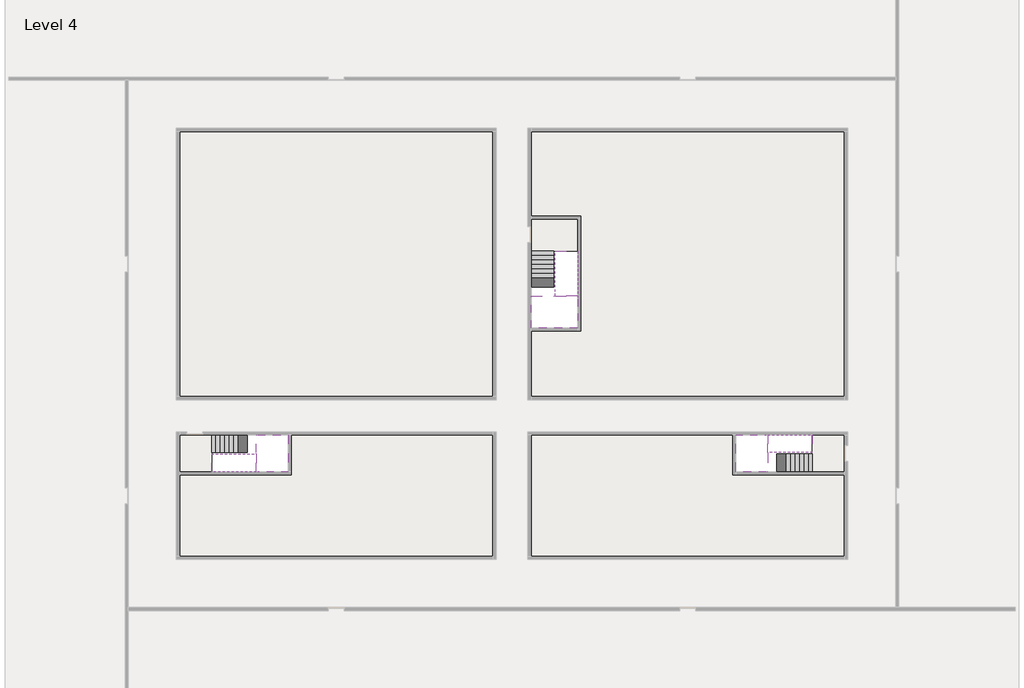
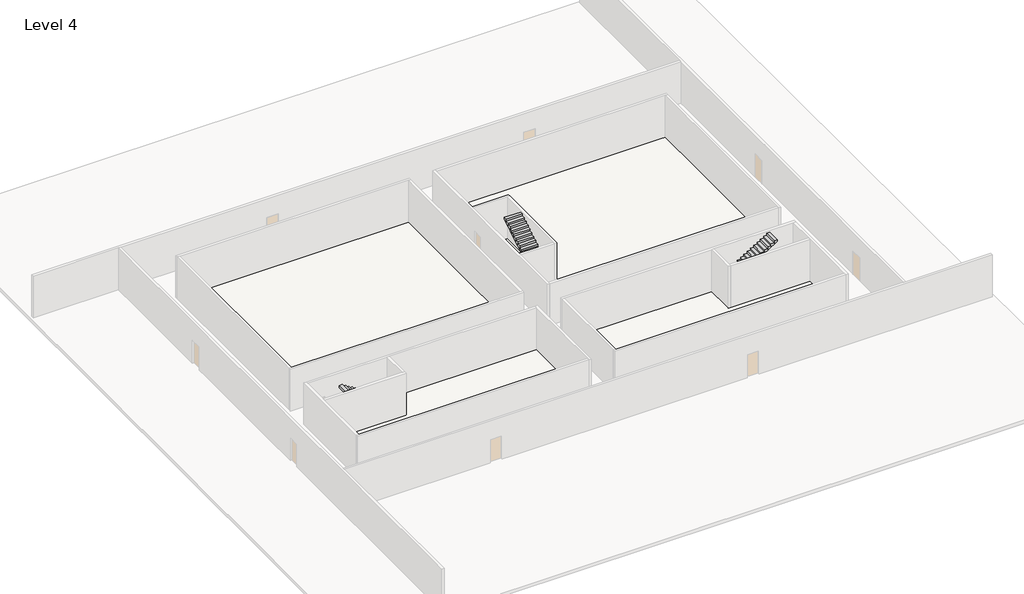
# One storey, part 2 of 2: 6 stair flights, 5 slabs.
"""IFC4 building model written with IfcOpenShell, lengths in millimetres."""

import ifcopenshell
import ifcopenshell.guid

model = None  # the IFC model being written
_history = None  # IfcOwnerHistory: only IFC2X3 demands one
_inside = {}  # id of a spatial element -> (the spatial element, [elements in it])
_under = {}  # id of a project, library or spatial element -> (it, [spatial elements below it])
_declared = {}  # id of a project -> (the project, [libraries it declares])
_typed = {}  # id of a type object -> (the type object, [elements of that type])
_made_of = {}  # id of a material, layer set ... -> (it, [elements and type objects made of it])


def new_model(schema):
    """Start an empty IFC model of exactly this schema.

    Asked for "IFC4X3", IfcOpenShell would pick the latest addendum, in which some entities
    have other attributes; the version numbers below select the first issue.
    IFC2X3 requires an IfcOwnerHistory on every rooted entity: one is made here for all.
    """
    global model, _history
    if schema == "IFC4X3":
        model = ifcopenshell.file(schema_version=(4, 3, 0, 0))
    else:
        model = ifcopenshell.file(schema=schema)
    _inside.clear()
    _under.clear()
    _declared.clear()
    _typed.clear()
    _made_of.clear()
    _history = None
    if model.schema == "IFC2X3":
        org = make("IfcOrganization", Name="unknown")
        user = make(
            "IfcPersonAndOrganization",
            ThePerson=make("IfcPerson", FamilyName="unknown"),
            TheOrganization=org,
        )
        app = make(
            "IfcApplication",
            ApplicationDeveloper=org,
            Version="unknown",
            ApplicationFullName="unknown",
            ApplicationIdentifier="unknown",
        )
        _history = make(
            "IfcOwnerHistory",
            OwningUser=user,
            OwningApplication=app,
            ChangeAction="ADDED",
            CreationDate=0,
        )
    return model


def make(cls, **values):
    """One entity of the class cls with the attributes given. An attribute that is None is left unset."""
    return model.create_entity(
        cls, **{name: value for name, value in values.items() if value is not None}
    )


def rooted(cls, **values):
    """An entity with a GlobalId (a new one), such as an element, a storey or a relation."""
    return make(cls, GlobalId=ifcopenshell.guid.new(), OwnerHistory=_history, **values)


def si_unit(unit_type, name, prefix=None):
    """IfcSIUnit, for example si_unit("LENGTHUNIT", "METRE", prefix="MILLI")."""
    return make("IfcSIUnit", UnitType=unit_type, Prefix=prefix, Name=name)


def assignment(units):
    """IfcUnitAssignment: the units of a project."""
    return None if units is None else make("IfcUnitAssignment", Units=units)


def point(xyz):
    """IfcCartesianPoint."""
    return None if xyz is None else make("IfcCartesianPoint", Coordinates=xyz)


def direction(xyz):
    """IfcDirection."""
    return None if xyz is None else make("IfcDirection", DirectionRatios=xyz)


def frame(location, z_axis=None, x_axis=None):
    """IfcAxis2Placement3D, a coordinate frame: its origin and axes. An axis left out is left unset."""
    return make(
        "IfcAxis2Placement3D",
        Location=point(location),
        Axis=direction(z_axis),
        RefDirection=direction(x_axis),
    )


def origin():
    """The frame at (0, 0, 0) with its axes left unset."""
    return frame((0.0, 0.0, 0.0))


def place(relative_to, where):
    """IfcLocalPlacement: puts the frame where relative to a parent placement (None: the world)."""
    return make(
        "IfcLocalPlacement", PlacementRelTo=relative_to, RelativePlacement=where
    )


def context(
    kind, dimensions, precision=None, world=None, true_north=None, identifier=None
):
    """IfcGeometricRepresentationContext, for example the 3D "Model" context."""
    return make(
        "IfcGeometricRepresentationContext",
        ContextIdentifier=identifier,
        ContextType=kind,
        CoordinateSpaceDimension=dimensions,
        Precision=precision,
        WorldCoordinateSystem=world,
        TrueNorth=true_north,
    )


def project(units=None, contexts=None):
    """IfcProject with its units and contexts."""
    return rooted(
        "IfcProject",
        Name="project",
        RepresentationContexts=contexts,
        UnitsInContext=assignment(units),
    )


def spatial(cls, under=None, at=None, **own):
    """A site, building, storey or space (cls), placed at a placement, below another one or the project."""
    s = rooted(cls, ObjectPlacement=at, **own)
    if under is not None:
        _under.setdefault(under.id(), (under, []))[1].append(s)
    return s


def polyline(points):
    """IfcPolyline through the points."""
    return make("IfcPolyline", Points=[point(p) for p in points])


def outline(outer, holes=None, kind="AREA"):
    """IfcArbitraryClosedProfileDef: a profile drawn as a closed curve; with holes, ...WithVoids."""
    if holes is None:
        return make("IfcArbitraryClosedProfileDef", ProfileType=kind, OuterCurve=outer)
    return make(
        "IfcArbitraryProfileDefWithVoids",
        ProfileType=kind,
        OuterCurve=outer,
        InnerCurves=holes,
    )


def extrude(swept, where, along, depth):
    """IfcExtrudedAreaSolid: the profile swept, set in the frame where, extruded along a direction by depth."""
    return make(
        "IfcExtrudedAreaSolid",
        SweptArea=swept,
        Position=where,
        ExtrudedDirection=direction(along),
        Depth=depth,
    )


def faces_of(points, faces, orient=None, outer=None):
    """IfcFace entities. A face is a list of loops; a loop is a list of indices into points, from 0.

    orient and outer hold one flag for each loop. By default every Orientation is true, the
    first loop of a face is its IfcFaceOuterBound and the others are IfcFaceBound.
    """
    made = []
    for i, loops in enumerate(faces):
        bounds = []
        for j, loop in enumerate(loops):
            is_outer = j == 0 if outer is None else outer[i][j]
            bounds.append(
                make(
                    "IfcFaceOuterBound" if is_outer else "IfcFaceBound",
                    Bound=make("IfcPolyLoop", Polygon=[points[k] for k in loop]),
                    Orientation=True if orient is None else orient[i][j],
                )
            )
        made.append(make("IfcFace", Bounds=bounds))
    return made


def faceted_brep(points, faces, orient=None, outer=None, voids=None):
    """IfcFacetedBrep: a solid bounded by flat faces; with voids (closed shells), ...WithVoids."""
    shared = [point(p) for p in points]
    hull = make("IfcClosedShell", CfsFaces=faces_of(shared, faces, orient, outer))
    if voids is None:
        return make("IfcFacetedBrep", Outer=hull)
    return make(
        "IfcFacetedBrepWithVoids",
        Outer=hull,
        Voids=[
            make(cls, CfsFaces=faces_of(shared, fs, o, b)) for cls, fs, o, b in voids
        ],
    )


def shape(context_of_items, identifier, shape_type, items):
    """IfcShapeRepresentation: the items that make up one representation, for example the "Body"."""
    return make(
        "IfcShapeRepresentation",
        ContextOfItems=context_of_items,
        RepresentationIdentifier=identifier,
        RepresentationType=shape_type,
        Items=items,
    )


def made_of(thing, what):
    """Note that an element or type object is made of a material, layer set ...; save() writes the relation."""
    if what is not None:
        _made_of.setdefault(what.id(), (what, []))[1].append(thing)
    return thing


def element(
    cls,
    number,
    at=None,
    inside=None,
    cuts=None,
    type_object=None,
    material=None,
    context=None,
    identifier="Body",
    shape_type=None,
    held_by="IfcProductDefinitionShape",
    body=None,
    shapes=None,
    **own,
):
    """One element of the class cls, such as IfcWall. Its Tag is "e" and its number.

    at: its placement. inside: the storey or other place that contains it. cuts: it is an
    opening in that element (IfcRelVoidsElement). A single representation is given by context,
    identifier, shape_type and body (its items); several are given by shapes. held_by: the class
    of the entity that holds the representations. save() writes the other relations.
    """
    e = rooted(cls, Tag="e%d" % number, ObjectPlacement=at, **own)
    if body is not None:
        shapes = [shape(context, identifier, shape_type, body)]
    if shapes is not None:
        e.Representation = make(held_by, Representations=shapes)
    if inside is not None:
        _inside.setdefault(inside.id(), (inside, []))[1].append(e)
    if cuts is not None:
        rooted(
            "IfcRelVoidsElement", RelatingBuildingElement=cuts, RelatedOpeningElement=e
        )
    if type_object is not None:
        _typed.setdefault(type_object.id(), (type_object, []))[1].append(e)
    return made_of(e, material)


def aggregate(whole, parts):
    """IfcRelAggregates: a whole, such as a stair, and the parts it consists of."""
    return rooted("IfcRelAggregates", RelatingObject=whole, RelatedObjects=parts)


def save(model, path):
    """Write the relations noted so far, then the file.

    IfcRelAggregates (storeys below a building ...), IfcRelContainedInSpatialStructure (elements
    in a storey), IfcRelDefinesByType, IfcRelAssociatesMaterial and IfcRelDeclares: one each for
    every whole, place, type object, material and project.
    """
    for whole, parts in _under.values():
        aggregate(whole, parts)
    for where, things in _inside.values():
        rooted(
            "IfcRelContainedInSpatialStructure",
            RelatedElements=things,
            RelatingStructure=where,
        )
    for kind, things in _typed.values():
        rooted("IfcRelDefinesByType", RelatedObjects=things, RelatingType=kind)
    for what, things in _made_of.values():
        rooted("IfcRelAssociatesMaterial", RelatedObjects=things, RelatingMaterial=what)
    for by, libraries in _declared.values():
        rooted("IfcRelDeclares", RelatingContext=by, RelatedDefinitions=libraries)
    model.write(path)


model = new_model("IFC4")

# Units and contexts
model_context = context("Model", 3, world=origin())
ifc_project = project(units=[si_unit("LENGTHUNIT", "METRE", prefix="MILLI")], contexts=[model_context])

# Site, building, storey
site = spatial("IfcSite", under=ifc_project)
building = spatial("IfcBuilding", under=site)
storey = spatial("IfcBuildingStorey", under=building, Name="Level 4", Elevation=11400.0)

# Slabs
placement = place(None, origin())
element("IfcSlab", 1, at=placement, inside=storey, context=model_context, shape_type="Brep", body=[
    faceted_brep([(8190.1058784, -42918.09644, 13300.0), (8190.1058784, -44018.09644, 13300.0), (8190.1058784, -44118.09644, 13300.0), (8190.1058784, -45218.09644, 13300.0), (8390.7194421, -45218.09644, 13300.0), (10190.1058784, -45218.09644, 13300.0), (10190.1058784, -42918.09644, 13300.0), (8269.4923146, -42918.09644, 13300.0), (8190.1058784, -42918.09644, 13127.2727273), (8190.1058784, -42918.09644, 12951.0278478), (8190.1058784, -44018.09644, 12951.0278478), (8190.1058784, -44018.09644, 13000.0), (8190.1058784, -44118.09644, 13000.0), (8190.1058784, -44118.09644, 13123.7551205), (8190.1058784, -45218.09644, 13123.7551205), (8390.7194421, -45218.09644, 13000.0), (10190.1058784, -45218.09644, 13000.0), (10190.1058784, -42918.09644, 13000.0), (8269.4923146, -42918.09644, 13000.0), (8390.7194421, -44118.09644, 13000.0), (8269.4923146, -44018.09644, 13000.0)], [[[0, 1, 2, 3, 4, 5, 6, 7]], [[1, 0, 8, 9, 10, 11]], [[2, 1, 11, 12, 13]], [[3, 2, 13, 14]], [[3, 14, 15, 16, 5, 4]], [[6, 5, 16, 17]], [[9, 8, 0, 7, 6, 17, 18]], [[19, 12, 11, 20, 18, 17, 16, 15]], [[12, 19, 13]], [[18, 20, 10, 9]], [[20, 11, 10]], [[19, 15, 14, 13]]]),
])
element("IfcSlab", 2, at=placement, inside=storey, context=model_context, shape_type="Brep", body=[
    faceted_brep([(40190.1058784, -45218.09644, 13300.0), (40190.1058784, -44118.09644, 13300.0), (40190.1058784, -44018.09644, 13300.0), (40190.1058784, -42918.09644, 13300.0), (39989.4923146, -42918.09644, 13300.0), (38190.1058784, -42918.09644, 13300.0), (38190.1058784, -45218.09644, 13300.0), (40110.7194421, -45218.09644, 13300.0), (40190.1058784, -45218.09644, 13127.2727273), (40190.1058784, -45218.09644, 12951.0278478), (40190.1058784, -44118.09644, 12951.0278478), (40190.1058784, -44118.09644, 13000.0), (40190.1058784, -44018.09644, 13000.0), (40190.1058784, -44018.09644, 13123.7551205), (40190.1058784, -42918.09644, 13123.7551205), (39989.4923146, -42918.09644, 13000.0), (38190.1058784, -42918.09644, 13000.0), (38190.1058784, -45218.09644, 13000.0), (40110.7194421, -45218.09644, 13000.0), (39989.4923146, -44018.09644, 13000.0), (40110.7194421, -44118.09644, 13000.0)], [[[0, 1, 2, 3, 4, 5, 6, 7]], [[1, 0, 8, 9, 10, 11]], [[2, 1, 11, 12, 13]], [[3, 2, 13, 14]], [[3, 14, 15, 16, 5, 4]], [[6, 5, 16, 17]], [[9, 8, 0, 7, 6, 17, 18]], [[19, 12, 11, 20, 18, 17, 16, 15]], [[12, 19, 13]], [[18, 20, 10, 9]], [[20, 11, 10]], [[19, 15, 14, 13]]]),
])
element("IfcSlab", 3, at=placement, inside=storey, context=model_context, shape_type="Brep", body=[
    faceted_brep([(26790.1058784, -34218.09644, 13300.0), (25390.1058784, -34218.09644, 13300.0), (25390.1058784, -34297.4828763, 13300.0), (25390.1058784, -36218.09644, 13300.0), (28290.1058784, -36218.09644, 13300.0), (28290.1058784, -34418.7100038, 13300.0), (28290.1058784, -34218.09644, 13300.0), (26890.1058784, -34218.09644, 13300.0), (26790.1058784, -34218.09644, 13000.0), (26790.1058784, -34218.09644, 12951.0278478), (25390.1058784, -34218.09644, 12951.0278478), (25390.1058784, -34218.09644, 13127.2727273), (25390.1058784, -34297.4828763, 13000.0), (25390.1058784, -36218.09644, 13000.0), (28290.1058784, -36218.09644, 13000.0), (28290.1058784, -34418.7100038, 13000.0), (28290.1058784, -34218.09644, 13123.7551205), (26890.1058784, -34218.09644, 13123.7551205), (26890.1058784, -34218.09644, 13000.0), (26890.1058784, -34418.7100038, 13000.0), (26790.1058784, -34297.4828763, 13000.0)], [[[0, 1, 2, 3, 4, 5, 6, 7]], [[1, 0, 8, 9, 10, 11]], [[1, 11, 10, 12, 13, 3, 2]], [[4, 3, 13, 14]], [[4, 14, 15, 16, 6, 5]], [[7, 6, 16, 17]], [[0, 7, 17, 18, 8]], [[18, 19, 15, 14, 13, 12, 20, 8]], [[19, 18, 17]], [[20, 12, 10, 9]], [[8, 20, 9]], [[15, 19, 17, 16]]]),
])
element("IfcSlab", 4, at=placement, inside=storey, context=model_context, shape_type="SweptSolid", body=[
    extrude(outline(polyline([(22990.1058784, -23918.09644), (22990.1058784, -40518.09644), (3390.1058784, -40518.09644), (3390.1058784, -23918.09644), (22990.1058784, -23918.09644)])), frame((0.0, 0.0, 11100.0), z_axis=(0.0, 0.0, 1.0), x_axis=(1.0, 0.0, 0.0)), (0.0, 0.0, 1.0), 300.0),
    extrude(outline(polyline([(44990.1058784, -23918.09644), (44990.1058784, -40518.09644), (25390.1058784, -40518.09644), (25390.1058784, -36418.09644), (28490.1058784, -36418.09644), (28490.1058784, -29218.09644), (25390.1058784, -29218.09644), (25390.1058784, -23918.09644), (44990.1058784, -23918.09644)])), frame((0.0, 0.0, 11100.0), z_axis=(0.0, 0.0, 1.0), x_axis=(1.0, 0.0, 0.0)), (0.0, 0.0, 1.0), 300.0),
    extrude(outline(polyline([(22990.1058784, -42918.09644), (22990.1058784, -50518.09644), (3390.1058784, -50518.09644), (3390.1058784, -45418.09644), (10390.1058784, -45418.09644), (10390.1058784, -42918.09644), (22990.1058784, -42918.09644)])), frame((0.0, 0.0, 11100.0), z_axis=(0.0, 0.0, 1.0), x_axis=(1.0, 0.0, 0.0)), (0.0, 0.0, 1.0), 300.0),
    extrude(outline(polyline([(37990.1058784, -42918.09644), (37990.1058784, -45418.09644), (44990.1058784, -45418.09644), (44990.1058784, -50518.09644), (25390.1058784, -50518.09644), (25390.1058784, -42918.09644), (37990.1058784, -42918.09644)])), frame((0.0, 0.0, 11100.0), z_axis=(0.0, 0.0, 1.0), x_axis=(1.0, 0.0, 0.0)), (0.0, 0.0, 1.0), 300.0),
])
element("IfcSlab", 5, at=placement, inside=storey, context=model_context, shape_type="SweptSolid", body=[
    extrude(outline(polyline([(44990.1058784, -42918.09644), (44990.1058784, -45218.09644), (42990.1058784, -45218.09644), (42990.1058784, -42918.09644), (44990.1058784, -42918.09644)])), frame((0.0, 0.0, 11100.0), z_axis=(0.0, 0.0, 1.0), x_axis=(1.0, 0.0, 0.0)), (0.0, 0.0, 1.0), 300.0),
    extrude(outline(polyline([(5390.1058784, -42918.09644), (5390.1058784, -45218.09644), (3390.1058784, -45218.09644), (3390.1058784, -42918.09644), (5390.1058784, -42918.09644)])), frame((0.0, 0.0, 11100.0), z_axis=(0.0, 0.0, 1.0), x_axis=(1.0, 0.0, 0.0)), (0.0, 0.0, 1.0), 300.0),
    extrude(outline(polyline([(28290.1058784, -29418.09644), (28290.1058784, -31418.09644), (25390.1058784, -31418.09644), (25390.1058784, -29418.09644), (28290.1058784, -29418.09644)])), frame((0.0, 0.0, 11100.0), z_axis=(0.0, 0.0, 1.0), x_axis=(1.0, 0.0, 0.0)), (0.0, 0.0, 1.0), 300.0),
])

# Stair flights
element("IfcStairFlight", 6, at=placement, inside=storey, context=model_context, shape_type="Brep", body=[
    faceted_brep([(5670.1058784, -42918.09644, 11572.7272727), (5390.1058784, -42918.09644, 11572.7272727), (5390.1058784, -44018.09644, 11572.7272727), (5670.1058784, -44018.09644, 11572.7272727), (5670.1058784, -42918.09644, 11400.0), (5390.1058784, -42918.09644, 11400.0), (5390.1058784, -44018.09644, 11400.0), (5670.1058784, -44018.09644, 11400.0), (5950.1058784, -42918.09644, 11745.4545455), (5670.1058784, -42918.09644, 11745.4545455), (5670.1058784, -44018.09644, 11745.4545455), (5950.1058784, -44018.09644, 11745.4545455), (5950.1058784, -42918.09644, 11569.209666), (5675.8081041, -42918.09644, 11400.0), (5675.8081041, -44018.09644, 11400.0), (5950.1058784, -44018.09644, 11569.209666), (6230.1058784, -42918.09644, 11918.1818182), (5950.1058784, -42918.09644, 11918.1818182), (5950.1058784, -44018.09644, 11918.1818182), (6230.1058784, -44018.09644, 11918.1818182), (6230.1058784, -42918.09644, 11741.9369387), (6230.1058784, -44018.09644, 11741.9369387), (6510.1058784, -42918.09644, 12090.9090909), (6230.1058784, -42918.09644, 12090.9090909), (6230.1058784, -44018.09644, 12090.9090909), (6510.1058784, -44018.09644, 12090.9090909), (6510.1058784, -42918.09644, 11914.6642114), (6510.1058784, -44018.09644, 11914.6642114), (6790.1058784, -42918.09644, 12263.6363636), (6510.1058784, -42918.09644, 12263.6363636), (6510.1058784, -44018.09644, 12263.6363636), (6790.1058784, -44018.09644, 12263.6363636), (6790.1058784, -42918.09644, 12087.3914841), (6790.1058784, -44018.09644, 12087.3914841), (7070.1058784, -42918.09644, 12436.3636364), (6790.1058784, -42918.09644, 12436.3636364), (6790.1058784, -44018.09644, 12436.3636364), (7070.1058784, -44018.09644, 12436.3636364), (7070.1058784, -42918.09644, 12260.1187569), (7070.1058784, -44018.09644, 12260.1187569), (7350.1058784, -42918.09644, 12609.0909091), (7070.1058784, -42918.09644, 12609.0909091), (7070.1058784, -44018.09644, 12609.0909091), (7350.1058784, -44018.09644, 12609.0909091), (7350.1058784, -42918.09644, 12432.8460296), (7350.1058784, -44018.09644, 12432.8460296), (7630.1058784, -42918.09644, 12781.8181818), (7350.1058784, -42918.09644, 12781.8181818), (7350.1058784, -44018.09644, 12781.8181818), (7630.1058784, -44018.09644, 12781.8181818), (7630.1058784, -42918.09644, 12605.5733023), (7630.1058784, -44018.09644, 12605.5733023), (7910.1058784, -42918.09644, 12954.5454545), (7630.1058784, -42918.09644, 12954.5454545), (7630.1058784, -44018.09644, 12954.5454545), (7910.1058784, -44018.09644, 12954.5454545), (7910.1058784, -42918.09644, 12778.3005751), (7910.1058784, -44018.09644, 12778.3005751), (8190.1058784, -42918.09644, 13127.2727273), (7910.1058784, -42918.09644, 13127.2727273), (7910.1058784, -44018.09644, 13127.2727273), (8190.1058784, -44018.09644, 13127.2727273), (8190.1058784, -42918.09644, 12951.0278478), (8190.1058784, -44018.09644, 12951.0278478), (8190.1058784, -44018.09644, 13000.0)], [[[0, 1, 2, 3]], [[1, 0, 4, 5]], [[2, 1, 5, 6]], [[3, 2, 6, 7]], [[8, 9, 10, 11]], [[4, 0, 9, 8, 12, 13]], [[0, 3, 10, 9]], [[3, 7, 14, 15, 11, 10]], [[16, 17, 18, 19]], [[17, 16, 20, 12, 8]], [[8, 11, 18, 17]], [[19, 18, 11, 15, 21]], [[22, 23, 24, 25]], [[23, 22, 26, 20, 16]], [[16, 19, 24, 23]], [[25, 24, 19, 21, 27]], [[28, 29, 30, 31]], [[29, 28, 32, 26, 22]], [[22, 25, 30, 29]], [[31, 30, 25, 27, 33]], [[34, 35, 36, 37]], [[35, 34, 38, 32, 28]], [[28, 31, 36, 35]], [[37, 36, 31, 33, 39]], [[40, 41, 42, 43]], [[41, 40, 44, 38, 34]], [[34, 37, 42, 41]], [[43, 42, 37, 39, 45]], [[46, 47, 48, 49]], [[47, 46, 50, 44, 40]], [[40, 43, 48, 47]], [[49, 48, 43, 45, 51]], [[52, 53, 54, 55]], [[53, 52, 56, 50, 46]], [[46, 49, 54, 53]], [[55, 54, 49, 51, 57]], [[58, 59, 60, 61]], [[59, 58, 62, 56, 52]], [[52, 55, 60, 59]], [[61, 60, 55, 57, 63, 64]], [[58, 61, 64, 63, 62]], [[5, 4, 13, 14, 7, 6]], [[14, 13, 12, 20, 26, 32, 38, 44, 50, 56, 62, 63, 57, 51, 45, 39, 33, 27, 21, 15]]]),
])
element("IfcStairFlight", 7, at=placement, inside=storey, context=model_context, shape_type="Brep", body=[
    faceted_brep([(7910.1058784, -45218.09644, 13472.7272727), (8190.1058784, -45218.09644, 13472.7272727), (8190.1058784, -44118.09644, 13472.7272727), (7910.1058784, -44118.09644, 13472.7272727), (7910.1058784, -45218.09644, 13296.4823932), (8190.1058784, -45218.09644, 13123.7551205), (8190.1058784, -45218.09644, 13300.0), (8190.1058784, -44118.09644, 13123.7551205), (7910.1058784, -44118.09644, 13296.4823932), (7630.1058784, -45218.09644, 13645.4545455), (7910.1058784, -45218.09644, 13645.4545455), (7910.1058784, -44118.09644, 13645.4545455), (7630.1058784, -44118.09644, 13645.4545455), (7630.1058784, -45218.09644, 13469.209666), (7630.1058784, -44118.09644, 13469.209666), (7350.1058784, -45218.09644, 13818.1818182), (7630.1058784, -45218.09644, 13818.1818182), (7630.1058784, -44118.09644, 13818.1818182), (7350.1058784, -44118.09644, 13818.1818182), (7350.1058784, -45218.09644, 13641.9369387), (7350.1058784, -44118.09644, 13641.9369387), (7070.1058784, -45218.09644, 13990.9090909), (7350.1058784, -45218.09644, 13990.9090909), (7350.1058784, -44118.09644, 13990.9090909), (7070.1058784, -44118.09644, 13990.9090909), (7070.1058784, -45218.09644, 13814.6642114), (7070.1058784, -44118.09644, 13814.6642114), (6790.1058784, -45218.09644, 14163.6363636), (7070.1058784, -45218.09644, 14163.6363636), (7070.1058784, -44118.09644, 14163.6363636), (6790.1058784, -44118.09644, 14163.6363636), (6790.1058784, -45218.09644, 13987.3914841), (6790.1058784, -44118.09644, 13987.3914841), (6510.1058784, -45218.09644, 14336.3636364), (6790.1058784, -45218.09644, 14336.3636364), (6790.1058784, -44118.09644, 14336.3636364), (6510.1058784, -44118.09644, 14336.3636364), (6510.1058784, -45218.09644, 14160.1187569), (6510.1058784, -44118.09644, 14160.1187569), (6230.1058784, -45218.09644, 14509.0909091), (6510.1058784, -45218.09644, 14509.0909091), (6510.1058784, -44118.09644, 14509.0909091), (6230.1058784, -44118.09644, 14509.0909091), (6230.1058784, -45218.09644, 14332.8460296), (6230.1058784, -44118.09644, 14332.8460296), (5950.1058784, -45218.09644, 14681.8181818), (6230.1058784, -45218.09644, 14681.8181818), (6230.1058784, -44118.09644, 14681.8181818), (5950.1058784, -44118.09644, 14681.8181818), (5950.1058784, -45218.09644, 14505.5733023), (5950.1058784, -44118.09644, 14505.5733023), (5670.1058784, -45218.09644, 14854.5454545), (5950.1058784, -45218.09644, 14854.5454545), (5950.1058784, -44118.09644, 14854.5454545), (5670.1058784, -44118.09644, 14854.5454545), (5670.1058784, -45218.09644, 14678.3005751), (5670.1058784, -44118.09644, 14678.3005751), (5390.1058784, -45218.09644, 15027.2727273), (5670.1058784, -45218.09644, 15027.2727273), (5670.1058784, -44118.09644, 15027.2727273), (5390.1058784, -44118.09644, 15027.2727273), (5390.1058784, -45218.09644, 14851.0278478), (5390.1058784, -44118.09644, 14851.0278478)], [[[0, 1, 2, 3]], [[1, 0, 4, 5, 6]], [[2, 1, 6, 5, 7]], [[3, 2, 7, 8]], [[9, 10, 11, 12]], [[10, 9, 13, 4, 0]], [[11, 10, 0, 3]], [[12, 11, 3, 8, 14]], [[15, 16, 17, 18]], [[16, 15, 19, 13, 9]], [[17, 16, 9, 12]], [[18, 17, 12, 14, 20]], [[21, 22, 23, 24]], [[22, 21, 25, 19, 15]], [[23, 22, 15, 18]], [[24, 23, 18, 20, 26]], [[27, 28, 29, 30]], [[28, 27, 31, 25, 21]], [[29, 28, 21, 24]], [[30, 29, 24, 26, 32]], [[33, 34, 35, 36]], [[34, 33, 37, 31, 27]], [[35, 34, 27, 30]], [[36, 35, 30, 32, 38]], [[39, 40, 41, 42]], [[40, 39, 43, 37, 33]], [[41, 40, 33, 36]], [[42, 41, 36, 38, 44]], [[45, 46, 47, 48]], [[46, 45, 49, 43, 39]], [[47, 46, 39, 42]], [[48, 47, 42, 44, 50]], [[51, 52, 53, 54]], [[52, 51, 55, 49, 45]], [[53, 52, 45, 48]], [[54, 53, 48, 50, 56]], [[57, 58, 59, 60]], [[58, 57, 61, 55, 51]], [[59, 58, 51, 54]], [[60, 59, 54, 56, 62]], [[57, 60, 62, 61]], [[5, 4, 13, 19, 25, 31, 37, 43, 49, 55, 61, 62, 56, 50, 44, 38, 32, 26, 20, 14, 8, 7]]]),
])
element("IfcStairFlight", 8, at=placement, inside=storey, context=model_context, shape_type="Brep", body=[
    faceted_brep([(42710.1058784, -45218.09644, 11572.7272727), (42990.1058784, -45218.09644, 11572.7272727), (42990.1058784, -44118.09644, 11572.7272727), (42710.1058784, -44118.09644, 11572.7272727), (42710.1058784, -45218.09644, 11400.0), (42990.1058784, -45218.09644, 11400.0), (42990.1058784, -44118.09644, 11400.0), (42710.1058784, -44118.09644, 11400.0), (42430.1058784, -45218.09644, 11745.4545455), (42710.1058784, -45218.09644, 11745.4545455), (42710.1058784, -44118.09644, 11745.4545455), (42430.1058784, -44118.09644, 11745.4545455), (42430.1058784, -45218.09644, 11569.209666), (42704.4036527, -45218.09644, 11400.0), (42704.4036527, -44118.09644, 11400.0), (42430.1058784, -44118.09644, 11569.209666), (42150.1058784, -45218.09644, 11918.1818182), (42430.1058784, -45218.09644, 11918.1818182), (42430.1058784, -44118.09644, 11918.1818182), (42150.1058784, -44118.09644, 11918.1818182), (42150.1058784, -45218.09644, 11741.9369387), (42150.1058784, -44118.09644, 11741.9369387), (41870.1058784, -45218.09644, 12090.9090909), (42150.1058784, -45218.09644, 12090.9090909), (42150.1058784, -44118.09644, 12090.9090909), (41870.1058784, -44118.09644, 12090.9090909), (41870.1058784, -45218.09644, 11914.6642114), (41870.1058784, -44118.09644, 11914.6642114), (41590.1058784, -45218.09644, 12263.6363636), (41870.1058784, -45218.09644, 12263.6363636), (41870.1058784, -44118.09644, 12263.6363636), (41590.1058784, -44118.09644, 12263.6363636), (41590.1058784, -45218.09644, 12087.3914841), (41590.1058784, -44118.09644, 12087.3914841), (41310.1058784, -45218.09644, 12436.3636364), (41590.1058784, -45218.09644, 12436.3636364), (41590.1058784, -44118.09644, 12436.3636364), (41310.1058784, -44118.09644, 12436.3636364), (41310.1058784, -45218.09644, 12260.1187569), (41310.1058784, -44118.09644, 12260.1187569), (41030.1058784, -45218.09644, 12609.0909091), (41310.1058784, -45218.09644, 12609.0909091), (41310.1058784, -44118.09644, 12609.0909091), (41030.1058784, -44118.09644, 12609.0909091), (41030.1058784, -45218.09644, 12432.8460296), (41030.1058784, -44118.09644, 12432.8460296), (40750.1058784, -45218.09644, 12781.8181818), (41030.1058784, -45218.09644, 12781.8181818), (41030.1058784, -44118.09644, 12781.8181818), (40750.1058784, -44118.09644, 12781.8181818), (40750.1058784, -45218.09644, 12605.5733023), (40750.1058784, -44118.09644, 12605.5733023), (40470.1058784, -45218.09644, 12954.5454545), (40750.1058784, -45218.09644, 12954.5454545), (40750.1058784, -44118.09644, 12954.5454545), (40470.1058784, -44118.09644, 12954.5454545), (40470.1058784, -45218.09644, 12778.3005751), (40470.1058784, -44118.09644, 12778.3005751), (40190.1058784, -45218.09644, 13127.2727273), (40470.1058784, -45218.09644, 13127.2727273), (40470.1058784, -44118.09644, 13127.2727273), (40190.1058784, -44118.09644, 13127.2727273), (40190.1058784, -45218.09644, 12951.0278478), (40190.1058784, -44118.09644, 12951.0278478), (40190.1058784, -44118.09644, 13000.0)], [[[0, 1, 2, 3]], [[1, 0, 4, 5]], [[2, 1, 5, 6]], [[3, 2, 6, 7]], [[8, 9, 10, 11]], [[4, 0, 9, 8, 12, 13]], [[0, 3, 10, 9]], [[3, 7, 14, 15, 11, 10]], [[16, 17, 18, 19]], [[17, 16, 20, 12, 8]], [[8, 11, 18, 17]], [[19, 18, 11, 15, 21]], [[22, 23, 24, 25]], [[23, 22, 26, 20, 16]], [[16, 19, 24, 23]], [[25, 24, 19, 21, 27]], [[28, 29, 30, 31]], [[29, 28, 32, 26, 22]], [[22, 25, 30, 29]], [[31, 30, 25, 27, 33]], [[34, 35, 36, 37]], [[35, 34, 38, 32, 28]], [[28, 31, 36, 35]], [[37, 36, 31, 33, 39]], [[40, 41, 42, 43]], [[41, 40, 44, 38, 34]], [[34, 37, 42, 41]], [[43, 42, 37, 39, 45]], [[46, 47, 48, 49]], [[47, 46, 50, 44, 40]], [[40, 43, 48, 47]], [[49, 48, 43, 45, 51]], [[52, 53, 54, 55]], [[53, 52, 56, 50, 46]], [[46, 49, 54, 53]], [[55, 54, 49, 51, 57]], [[58, 59, 60, 61]], [[59, 58, 62, 56, 52]], [[52, 55, 60, 59]], [[61, 60, 55, 57, 63, 64]], [[58, 61, 64, 63, 62]], [[5, 4, 13, 14, 7, 6]], [[14, 13, 12, 20, 26, 32, 38, 44, 50, 56, 62, 63, 57, 51, 45, 39, 33, 27, 21, 15]]]),
])
element("IfcStairFlight", 9, at=placement, inside=storey, context=model_context, shape_type="Brep", body=[
    faceted_brep([(40470.1058784, -42918.09644, 13472.7272727), (40190.1058784, -42918.09644, 13472.7272727), (40190.1058784, -44018.09644, 13472.7272727), (40470.1058784, -44018.09644, 13472.7272727), (40470.1058784, -42918.09644, 13296.4823932), (40190.1058784, -42918.09644, 13123.7551205), (40190.1058784, -42918.09644, 13300.0), (40190.1058784, -44018.09644, 13123.7551205), (40470.1058784, -44018.09644, 13296.4823932), (40750.1058784, -42918.09644, 13645.4545455), (40470.1058784, -42918.09644, 13645.4545455), (40470.1058784, -44018.09644, 13645.4545455), (40750.1058784, -44018.09644, 13645.4545455), (40750.1058784, -42918.09644, 13469.209666), (40750.1058784, -44018.09644, 13469.209666), (41030.1058784, -42918.09644, 13818.1818182), (40750.1058784, -42918.09644, 13818.1818182), (40750.1058784, -44018.09644, 13818.1818182), (41030.1058784, -44018.09644, 13818.1818182), (41030.1058784, -42918.09644, 13641.9369387), (41030.1058784, -44018.09644, 13641.9369387), (41310.1058784, -42918.09644, 13990.9090909), (41030.1058784, -42918.09644, 13990.9090909), (41030.1058784, -44018.09644, 13990.9090909), (41310.1058784, -44018.09644, 13990.9090909), (41310.1058784, -42918.09644, 13814.6642114), (41310.1058784, -44018.09644, 13814.6642114), (41590.1058784, -42918.09644, 14163.6363636), (41310.1058784, -42918.09644, 14163.6363636), (41310.1058784, -44018.09644, 14163.6363636), (41590.1058784, -44018.09644, 14163.6363636), (41590.1058784, -42918.09644, 13987.3914841), (41590.1058784, -44018.09644, 13987.3914841), (41870.1058784, -42918.09644, 14336.3636364), (41590.1058784, -42918.09644, 14336.3636364), (41590.1058784, -44018.09644, 14336.3636364), (41870.1058784, -44018.09644, 14336.3636364), (41870.1058784, -42918.09644, 14160.1187569), (41870.1058784, -44018.09644, 14160.1187569), (42150.1058784, -42918.09644, 14509.0909091), (41870.1058784, -42918.09644, 14509.0909091), (41870.1058784, -44018.09644, 14509.0909091), (42150.1058784, -44018.09644, 14509.0909091), (42150.1058784, -42918.09644, 14332.8460296), (42150.1058784, -44018.09644, 14332.8460296), (42430.1058784, -42918.09644, 14681.8181818), (42150.1058784, -42918.09644, 14681.8181818), (42150.1058784, -44018.09644, 14681.8181818), (42430.1058784, -44018.09644, 14681.8181818), (42430.1058784, -42918.09644, 14505.5733023), (42430.1058784, -44018.09644, 14505.5733023), (42710.1058784, -42918.09644, 14854.5454545), (42430.1058784, -42918.09644, 14854.5454545), (42430.1058784, -44018.09644, 14854.5454545), (42710.1058784, -44018.09644, 14854.5454545), (42710.1058784, -42918.09644, 14678.3005751), (42710.1058784, -44018.09644, 14678.3005751), (42990.1058784, -42918.09644, 15027.2727273), (42710.1058784, -42918.09644, 15027.2727273), (42710.1058784, -44018.09644, 15027.2727273), (42990.1058784, -44018.09644, 15027.2727273), (42990.1058784, -42918.09644, 14851.0278478), (42990.1058784, -44018.09644, 14851.0278478)], [[[0, 1, 2, 3]], [[1, 0, 4, 5, 6]], [[2, 1, 6, 5, 7]], [[3, 2, 7, 8]], [[9, 10, 11, 12]], [[10, 9, 13, 4, 0]], [[11, 10, 0, 3]], [[12, 11, 3, 8, 14]], [[15, 16, 17, 18]], [[16, 15, 19, 13, 9]], [[17, 16, 9, 12]], [[18, 17, 12, 14, 20]], [[21, 22, 23, 24]], [[22, 21, 25, 19, 15]], [[23, 22, 15, 18]], [[24, 23, 18, 20, 26]], [[27, 28, 29, 30]], [[28, 27, 31, 25, 21]], [[29, 28, 21, 24]], [[30, 29, 24, 26, 32]], [[33, 34, 35, 36]], [[34, 33, 37, 31, 27]], [[35, 34, 27, 30]], [[36, 35, 30, 32, 38]], [[39, 40, 41, 42]], [[40, 39, 43, 37, 33]], [[41, 40, 33, 36]], [[42, 41, 36, 38, 44]], [[45, 46, 47, 48]], [[46, 45, 49, 43, 39]], [[47, 46, 39, 42]], [[48, 47, 42, 44, 50]], [[51, 52, 53, 54]], [[52, 51, 55, 49, 45]], [[53, 52, 45, 48]], [[54, 53, 48, 50, 56]], [[57, 58, 59, 60]], [[58, 57, 61, 55, 51]], [[59, 58, 51, 54]], [[60, 59, 54, 56, 62]], [[57, 60, 62, 61]], [[5, 4, 13, 19, 25, 31, 37, 43, 49, 55, 61, 62, 56, 50, 44, 38, 32, 26, 20, 14, 8, 7]]]),
])
element("IfcStairFlight", 10, at=placement, inside=storey, context=model_context, shape_type="Brep", body=[
    faceted_brep([(26790.1058784, -31698.09644, 11572.7272727), (26790.1058784, -31418.09644, 11572.7272727), (25390.1058784, -31418.09644, 11572.7272727), (25390.1058784, -31698.09644, 11572.7272727), (26790.1058784, -31698.09644, 11400.0), (26790.1058784, -31418.09644, 11400.0), (25390.1058784, -31418.09644, 11400.0), (25390.1058784, -31698.09644, 11400.0), (26790.1058784, -31978.09644, 11745.4545455), (26790.1058784, -31698.09644, 11745.4545455), (25390.1058784, -31698.09644, 11745.4545455), (25390.1058784, -31978.09644, 11745.4545455), (26790.1058784, -31978.09644, 11569.209666), (26790.1058784, -31703.7986657, 11400.0), (25390.1058784, -31703.7986657, 11400.0), (25390.1058784, -31978.09644, 11569.209666), (26790.1058784, -32258.09644, 11918.1818182), (26790.1058784, -31978.09644, 11918.1818182), (25390.1058784, -31978.09644, 11918.1818182), (25390.1058784, -32258.09644, 11918.1818182), (26790.1058784, -32258.09644, 11741.9369387), (25390.1058784, -32258.09644, 11741.9369387), (26790.1058784, -32538.09644, 12090.9090909), (26790.1058784, -32258.09644, 12090.9090909), (25390.1058784, -32258.09644, 12090.9090909), (25390.1058784, -32538.09644, 12090.9090909), (26790.1058784, -32538.09644, 11914.6642114), (25390.1058784, -32538.09644, 11914.6642114), (26790.1058784, -32818.09644, 12263.6363636), (26790.1058784, -32538.09644, 12263.6363636), (25390.1058784, -32538.09644, 12263.6363636), (25390.1058784, -32818.09644, 12263.6363636), (26790.1058784, -32818.09644, 12087.3914841), (25390.1058784, -32818.09644, 12087.3914841), (26790.1058784, -33098.09644, 12436.3636364), (26790.1058784, -32818.09644, 12436.3636364), (25390.1058784, -32818.09644, 12436.3636364), (25390.1058784, -33098.09644, 12436.3636364), (26790.1058784, -33098.09644, 12260.1187569), (25390.1058784, -33098.09644, 12260.1187569), (26790.1058784, -33378.09644, 12609.0909091), (26790.1058784, -33098.09644, 12609.0909091), (25390.1058784, -33098.09644, 12609.0909091), (25390.1058784, -33378.09644, 12609.0909091), (26790.1058784, -33378.09644, 12432.8460296), (25390.1058784, -33378.09644, 12432.8460296), (26790.1058784, -33658.09644, 12781.8181818), (26790.1058784, -33378.09644, 12781.8181818), (25390.1058784, -33378.09644, 12781.8181818), (25390.1058784, -33658.09644, 12781.8181818), (26790.1058784, -33658.09644, 12605.5733023), (25390.1058784, -33658.09644, 12605.5733023), (26790.1058784, -33938.09644, 12954.5454545), (26790.1058784, -33658.09644, 12954.5454545), (25390.1058784, -33658.09644, 12954.5454545), (25390.1058784, -33938.09644, 12954.5454545), (26790.1058784, -33938.09644, 12778.3005751), (25390.1058784, -33938.09644, 12778.3005751), (26790.1058784, -34218.09644, 13127.2727273), (26790.1058784, -33938.09644, 13127.2727273), (25390.1058784, -33938.09644, 13127.2727273), (25390.1058784, -34218.09644, 13127.2727273), (26790.1058784, -34218.09644, 13000.0), (26790.1058784, -34218.09644, 12951.0278478), (25390.1058784, -34218.09644, 12951.0278478)], [[[0, 1, 2, 3]], [[1, 0, 4, 5]], [[2, 1, 5, 6]], [[3, 2, 6, 7]], [[8, 9, 10, 11]], [[4, 0, 9, 8, 12, 13]], [[0, 3, 10, 9]], [[3, 7, 14, 15, 11, 10]], [[16, 17, 18, 19]], [[17, 16, 20, 12, 8]], [[8, 11, 18, 17]], [[19, 18, 11, 15, 21]], [[22, 23, 24, 25]], [[23, 22, 26, 20, 16]], [[16, 19, 24, 23]], [[25, 24, 19, 21, 27]], [[28, 29, 30, 31]], [[29, 28, 32, 26, 22]], [[22, 25, 30, 29]], [[31, 30, 25, 27, 33]], [[34, 35, 36, 37]], [[35, 34, 38, 32, 28]], [[28, 31, 36, 35]], [[37, 36, 31, 33, 39]], [[40, 41, 42, 43]], [[41, 40, 44, 38, 34]], [[34, 37, 42, 41]], [[43, 42, 37, 39, 45]], [[46, 47, 48, 49]], [[47, 46, 50, 44, 40]], [[40, 43, 48, 47]], [[49, 48, 43, 45, 51]], [[52, 53, 54, 55]], [[53, 52, 56, 50, 46]], [[46, 49, 54, 53]], [[55, 54, 49, 51, 57]], [[58, 59, 60, 61]], [[59, 58, 62, 63, 56, 52]], [[52, 55, 60, 59]], [[61, 60, 55, 57, 64]], [[58, 61, 64, 63, 62]], [[5, 4, 13, 14, 7, 6]], [[14, 13, 12, 20, 26, 32, 38, 44, 50, 56, 63, 64, 57, 51, 45, 39, 33, 27, 21, 15]]]),
])
element("IfcStairFlight", 11, at=placement, inside=storey, context=model_context, shape_type="Brep", body=[
    faceted_brep([(26890.1058784, -33938.09644, 13472.7272727), (26890.1058784, -34218.09644, 13472.7272727), (28290.1058784, -34218.09644, 13472.7272727), (28290.1058784, -33938.09644, 13472.7272727), (26890.1058784, -33938.09644, 13296.4823932), (26890.1058784, -34218.09644, 13123.7551205), (28290.1058784, -34218.09644, 13123.7551205), (28290.1058784, -34218.09644, 13300.0), (28290.1058784, -33938.09644, 13296.4823932), (26890.1058784, -33658.09644, 13645.4545455), (26890.1058784, -33938.09644, 13645.4545455), (28290.1058784, -33938.09644, 13645.4545455), (28290.1058784, -33658.09644, 13645.4545455), (26890.1058784, -33658.09644, 13469.209666), (28290.1058784, -33658.09644, 13469.209666), (26890.1058784, -33378.09644, 13818.1818182), (26890.1058784, -33658.09644, 13818.1818182), (28290.1058784, -33658.09644, 13818.1818182), (28290.1058784, -33378.09644, 13818.1818182), (26890.1058784, -33378.09644, 13641.9369387), (28290.1058784, -33378.09644, 13641.9369387), (26890.1058784, -33098.09644, 13990.9090909), (26890.1058784, -33378.09644, 13990.9090909), (28290.1058784, -33378.09644, 13990.9090909), (28290.1058784, -33098.09644, 13990.9090909), (26890.1058784, -33098.09644, 13814.6642114), (28290.1058784, -33098.09644, 13814.6642114), (26890.1058784, -32818.09644, 14163.6363636), (26890.1058784, -33098.09644, 14163.6363636), (28290.1058784, -33098.09644, 14163.6363636), (28290.1058784, -32818.09644, 14163.6363636), (26890.1058784, -32818.09644, 13987.3914841), (28290.1058784, -32818.09644, 13987.3914841), (26890.1058784, -32538.09644, 14336.3636364), (26890.1058784, -32818.09644, 14336.3636364), (28290.1058784, -32818.09644, 14336.3636364), (28290.1058784, -32538.09644, 14336.3636364), (26890.1058784, -32538.09644, 14160.1187569), (28290.1058784, -32538.09644, 14160.1187569), (26890.1058784, -32258.09644, 14509.0909091), (26890.1058784, -32538.09644, 14509.0909091), (28290.1058784, -32538.09644, 14509.0909091), (28290.1058784, -32258.09644, 14509.0909091), (26890.1058784, -32258.09644, 14332.8460296), (28290.1058784, -32258.09644, 14332.8460296), (26890.1058784, -31978.09644, 14681.8181818), (26890.1058784, -32258.09644, 14681.8181818), (28290.1058784, -32258.09644, 14681.8181818), (28290.1058784, -31978.09644, 14681.8181818), (26890.1058784, -31978.09644, 14505.5733023), (28290.1058784, -31978.09644, 14505.5733023), (26890.1058784, -31698.09644, 14854.5454545), (26890.1058784, -31978.09644, 14854.5454545), (28290.1058784, -31978.09644, 14854.5454545), (28290.1058784, -31698.09644, 14854.5454545), (26890.1058784, -31698.09644, 14678.3005751), (28290.1058784, -31698.09644, 14678.3005751), (26890.1058784, -31418.09644, 15027.2727273), (26890.1058784, -31698.09644, 15027.2727273), (28290.1058784, -31698.09644, 15027.2727273), (28290.1058784, -31418.09644, 15027.2727273), (26890.1058784, -31418.09644, 14851.0278478), (28290.1058784, -31418.09644, 14851.0278478)], [[[0, 1, 2, 3]], [[1, 0, 4, 5]], [[2, 1, 5, 6, 7]], [[3, 2, 7, 6, 8]], [[9, 10, 11, 12]], [[10, 9, 13, 4, 0]], [[11, 10, 0, 3]], [[12, 11, 3, 8, 14]], [[15, 16, 17, 18]], [[16, 15, 19, 13, 9]], [[17, 16, 9, 12]], [[18, 17, 12, 14, 20]], [[21, 22, 23, 24]], [[22, 21, 25, 19, 15]], [[23, 22, 15, 18]], [[24, 23, 18, 20, 26]], [[27, 28, 29, 30]], [[28, 27, 31, 25, 21]], [[29, 28, 21, 24]], [[30, 29, 24, 26, 32]], [[33, 34, 35, 36]], [[34, 33, 37, 31, 27]], [[35, 34, 27, 30]], [[36, 35, 30, 32, 38]], [[39, 40, 41, 42]], [[40, 39, 43, 37, 33]], [[41, 40, 33, 36]], [[42, 41, 36, 38, 44]], [[45, 46, 47, 48]], [[46, 45, 49, 43, 39]], [[47, 46, 39, 42]], [[48, 47, 42, 44, 50]], [[51, 52, 53, 54]], [[52, 51, 55, 49, 45]], [[53, 52, 45, 48]], [[54, 53, 48, 50, 56]], [[57, 58, 59, 60]], [[58, 57, 61, 55, 51]], [[59, 58, 51, 54]], [[60, 59, 54, 56, 62]], [[57, 60, 62, 61]], [[5, 4, 13, 19, 25, 31, 37, 43, 49, 55, 61, 62, 56, 50, 44, 38, 32, 26, 20, 14, 8, 6]]]),
])

save(model, "model.ifc")
